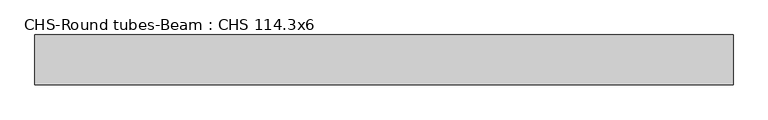
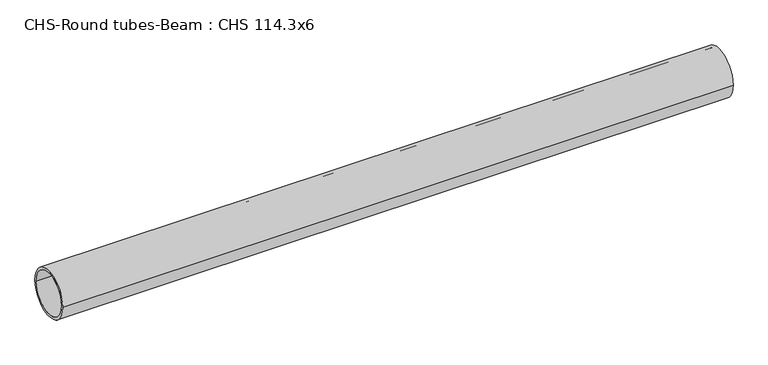
"""IFC4 building model written with IfcOpenShell, lengths in millimetres: beam geometry, CHS-Round tubes-Beam : CHS 114.3x6."""

from ifc_helpers import new_model, si_unit, point, frame, origin, origin_2d, place, context, project, spatial, circle_curve, trimmed, segment, composite_curve, outline, extrude, source, transform, mapped, element, save


def chs_round_tubes_beam_chs_114_3x6_13207d8a(model_context):
    return source(origin(), model_context, "Body", "SweptSolid", [
        extrude(outline(composite_curve([segment(trimmed(circle_curve(origin_2d(), 57.15), [point((57.15, 0.0))], [point((-57.15, 0.0))], False, "CARTESIAN"), True, "CONTINUOUS"), segment(trimmed(circle_curve(origin_2d(), 57.15), [point((-57.15, 0.0))], [point((57.15, 0.0))], False, "CARTESIAN"), True, "CONTINUOUS")], self_intersect=False), holes=[composite_curve([segment(trimmed(circle_curve(origin_2d(), 51.15), [point((51.15, 0.0))], [point((-51.15, 0.0))], True, "CARTESIAN"), True, "CONTINUOUS"), segment(trimmed(circle_curve(origin_2d(), 51.15), [point((-51.15, 0.0))], [point((51.15, 0.0))], True, "CARTESIAN"), True, "CONTINUOUS")], self_intersect=False)]), frame((-790.0862283, 0.0, 0.0), z_axis=(1.0, 0.0, 0.0), x_axis=(0.0, 1.0, 0.0)), (0.0, 0.0, 1.0), 1594.1961093),
    ])


if __name__ == "__main__":
    model = new_model("IFC4")
    model_context = context("Model", 3, world=origin())
    ifc_project = project(units=[si_unit("LENGTHUNIT", "METRE", prefix="MILLI")], contexts=[model_context])
    site = spatial("IfcSite", under=ifc_project)
    building = spatial("IfcBuilding", under=site)
    placement = place(None, origin())
    chs_round_tubes_beam_chs_114_3x6_shape = chs_round_tubes_beam_chs_114_3x6_13207d8a(model_context)
    element("IfcBeam", 1, ObjectType="CHS-Round tubes-Beam : CHS 114.3x6", at=placement, inside=building, context=model_context, shape_type="MappedRepresentation", body=[
        mapped(chs_round_tubes_beam_chs_114_3x6_shape, transform((0.0, 0.0, 0.0), x_axis=(1.0, 0.0, 0.0), y_axis=(0.0, 1.0, 0.0), z_axis=(0.0, 0.0, 1.0))),
    ])
    save(model, "model.ifc")
